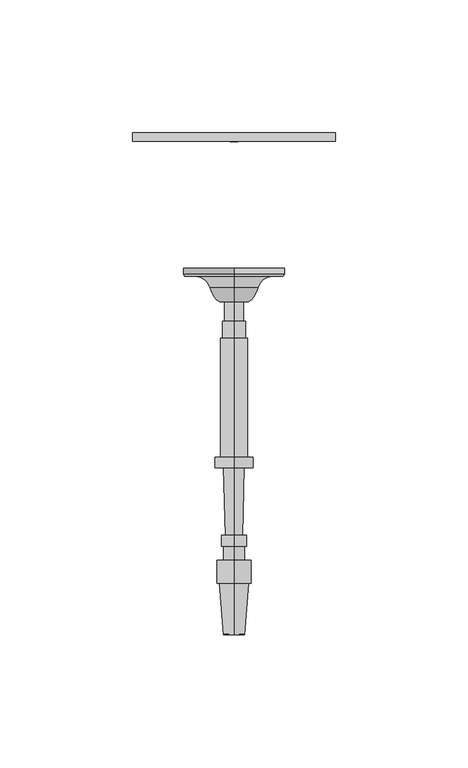
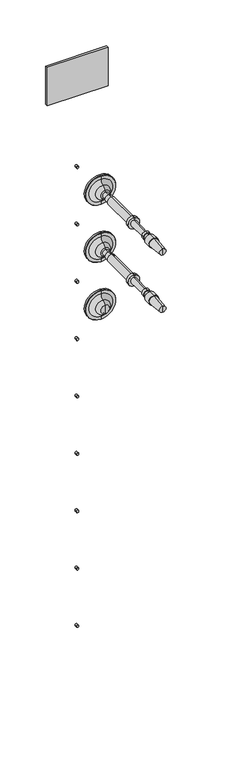
"""IFC4 building model written with IfcOpenShell, lengths in millimetres: railing geometry."""

from ifc_helpers import new_model, si_unit, point, frame, frame_2d, origin, place, context, project, spatial, polyline, circle_curve, ellipse_curve, trimmed, segment, composite_curve, outline, extrude, source, transform, mapped, element, save
from ifc_brep_helpers import plane_surface, cylinder_surface, revolved_surface, advanced_brep


def railing_03ae49d9(model_context):
    return source(origin(), model_context, "Body", "SolidModel", [
        extrude(outline(polyline([(4059.3568095, 20314.624604), (4135.5568095, 20314.624604), (4135.5568095, 20311.449604), (4059.3568095, 20311.449604), (4059.3568095, 20314.624604)])), frame((0.0, 0.0, 33390.9789063), z_axis=(0.0, 0.0, 1.0), x_axis=(1.0, 0.0, 0.0)), (0.0, 0.0, 1.0), 50.8),
        extrude(outline(composite_curve([segment(trimmed(circle_curve(frame_2d((33295.7289062, 4097.4568095)), 1.5379197), [point((33295.7289062, 4098.9947293))], [point((33295.7289062, 4095.9188898))], False, "CARTESIAN"), True, "CONTINUOUS"), segment(trimmed(circle_curve(frame_2d((33295.7289062, 4097.4568095)), 1.5379197), [point((33295.7289062, 4095.9188898))], [point((33295.7289062, 4098.9947293))], False, "CARTESIAN"), True, "CONTINUOUS")], self_intersect=False)), frame((0.0, 20311.449604, 0.0), z_axis=(0.0, 1.0, 0.0), x_axis=(0.0, 0.0, 1.0)), (0.0, 0.0, 1.0), 3.175),
        extrude(outline(composite_curve([segment(trimmed(circle_curve(frame_2d((33219.5289063, 4097.4568095)), 1.5379197), [point((33219.5289063, 4098.9947293))], [point((33219.5289063, 4095.9188898))], False, "CARTESIAN"), True, "CONTINUOUS"), segment(trimmed(circle_curve(frame_2d((33219.5289063, 4097.4568095)), 1.5379197), [point((33219.5289063, 4095.9188898))], [point((33219.5289063, 4098.9947293))], False, "CARTESIAN"), True, "CONTINUOUS")], self_intersect=False)), frame((0.0, 20311.449604, 0.0), z_axis=(0.0, 1.0, 0.0), x_axis=(0.0, 0.0, 1.0)), (0.0, 0.0, 1.0), 3.175),
        extrude(outline(composite_curve([segment(trimmed(circle_curve(frame_2d((33143.3289062, 4097.4568095)), 1.5379197), [point((33143.3289062, 4098.9947293))], [point((33143.3289062, 4095.9188898))], False, "CARTESIAN"), True, "CONTINUOUS"), segment(trimmed(circle_curve(frame_2d((33143.3289062, 4097.4568095)), 1.5379197), [point((33143.3289062, 4095.9188898))], [point((33143.3289062, 4098.9947293))], False, "CARTESIAN"), True, "CONTINUOUS")], self_intersect=False)), frame((0.0, 20311.449604, 0.0), z_axis=(0.0, 1.0, 0.0), x_axis=(0.0, 0.0, 1.0)), (0.0, 0.0, 1.0), 3.175),
        extrude(outline(composite_curve([segment(trimmed(circle_curve(frame_2d((33067.1289062, 4097.4568095)), 1.5379197), [point((33067.1289062, 4098.9947293))], [point((33067.1289062, 4095.9188898))], False, "CARTESIAN"), True, "CONTINUOUS"), segment(trimmed(circle_curve(frame_2d((33067.1289062, 4097.4568095)), 1.5379197), [point((33067.1289062, 4095.9188898))], [point((33067.1289062, 4098.9947293))], False, "CARTESIAN"), True, "CONTINUOUS")], self_intersect=False)), frame((0.0, 20311.449604, 0.0), z_axis=(0.0, 1.0, 0.0), x_axis=(0.0, 0.0, 1.0)), (0.0, 0.0, 1.0), 3.175),
        extrude(outline(composite_curve([segment(trimmed(circle_curve(frame_2d((32990.9289062, 4097.4568095)), 1.5379197), [point((32990.9289062, 4098.9947293))], [point((32990.9289062, 4095.9188898))], False, "CARTESIAN"), True, "CONTINUOUS"), segment(trimmed(circle_curve(frame_2d((32990.9289062, 4097.4568095)), 1.5379197), [point((32990.9289062, 4095.9188898))], [point((32990.9289062, 4098.9947293))], False, "CARTESIAN"), True, "CONTINUOUS")], self_intersect=False)), frame((0.0, 20311.449604, 0.0), z_axis=(0.0, 1.0, 0.0), x_axis=(0.0, 0.0, 1.0)), (0.0, 0.0, 1.0), 3.175),
        extrude(outline(composite_curve([segment(trimmed(circle_curve(frame_2d((32914.7289062, 4097.4568095)), 1.5379197), [point((32914.7289062, 4098.9947293))], [point((32914.7289062, 4095.9188898))], False, "CARTESIAN"), True, "CONTINUOUS"), segment(trimmed(circle_curve(frame_2d((32914.7289062, 4097.4568095)), 1.5379197), [point((32914.7289062, 4095.9188898))], [point((32914.7289062, 4098.9947293))], False, "CARTESIAN"), True, "CONTINUOUS")], self_intersect=False)), frame((0.0, 20311.449604, 0.0), z_axis=(0.0, 1.0, 0.0), x_axis=(0.0, 0.0, 1.0)), (0.0, 0.0, 1.0), 3.175),
        extrude(outline(composite_curve([segment(trimmed(circle_curve(frame_2d((32838.5289063, 4097.4568095)), 1.5379197), [point((32838.5289063, 4098.9947293))], [point((32838.5289063, 4095.9188898))], False, "CARTESIAN"), True, "CONTINUOUS"), segment(trimmed(circle_curve(frame_2d((32838.5289063, 4097.4568095)), 1.5379197), [point((32838.5289063, 4095.9188898))], [point((32838.5289063, 4098.9947293))], False, "CARTESIAN"), True, "CONTINUOUS")], self_intersect=False)), frame((0.0, 20311.449604, 0.0), z_axis=(0.0, 1.0, 0.0), x_axis=(0.0, 0.0, 1.0)), (0.0, 0.0, 1.0), 3.175),
        extrude(outline(composite_curve([segment(trimmed(circle_curve(frame_2d((32762.3289062, 4097.4568095)), 1.5379197), [point((32762.3289062, 4098.9947293))], [point((32762.3289062, 4095.9188898))], False, "CARTESIAN"), True, "CONTINUOUS"), segment(trimmed(circle_curve(frame_2d((32762.3289062, 4097.4568095)), 1.5379197), [point((32762.3289062, 4095.9188898))], [point((32762.3289062, 4098.9947293))], False, "CARTESIAN"), True, "CONTINUOUS")], self_intersect=False)), frame((0.0, 20311.449604, 0.0), z_axis=(0.0, 1.0, 0.0), x_axis=(0.0, 0.0, 1.0)), (0.0, 0.0, 1.0), 3.175),
        extrude(outline(composite_curve([segment(trimmed(circle_curve(frame_2d((32686.1289062, 4097.4568095)), 1.5379197), [point((32686.1289062, 4098.9947293))], [point((32686.1289062, 4095.9188898))], False, "CARTESIAN"), True, "CONTINUOUS"), segment(trimmed(circle_curve(frame_2d((32686.1289062, 4097.4568095)), 1.5379197), [point((32686.1289062, 4095.9188898))], [point((32686.1289062, 4098.9947293))], False, "CARTESIAN"), True, "CONTINUOUS")], self_intersect=False)), frame((0.0, 20311.449604, 0.0), z_axis=(0.0, 1.0, 0.0), x_axis=(0.0, 0.0, 1.0)), (0.0, 0.0, 1.0), 3.175),
        advanced_brep(
        [(4097.4568095, 20263.8073048, 33296.0001631), (4097.4568095, 20263.8073048, 33276.9501631), (4097.4568095, 20263.8073048, 33315.0501631), (4097.4568095, 20251.1146682, 33290.4769785), (4097.4568095, 20251.1146682, 33296.0001631), (4097.4568095, 20251.1146682, 33301.5233478), (4097.4568095, 20256.3907646, 33286.8720381), (4097.4568095, 20256.3907646, 33305.1282881), (4097.4568095, 20260.7563896, 33281.2458254), (4097.4568095, 20260.7563896, 33310.7545009), (4097.4568095, 20260.7563896, 33277.3762941), (4097.4568095, 20260.7563896, 33314.6240321), (4097.4568095, 20261.4260548, 33276.9501631), (4097.4568095, 20261.4260548, 33315.0501631)],
        [
            (0, 1),
            (1, 2, circle_curve(frame((4097.4568095, 20263.8073048, 33296.0001631), z_axis=(0.0, 1.0, 0.0), x_axis=(0.0, 0.0, 1.0)), 19.05)),
            (2, 0),
            (2, 1, circle_curve(frame((4097.4568095, 20263.8073048, 33296.0001631), z_axis=(0.0, 1.0, 0.0), x_axis=(0.0, 0.0, 1.0)), 19.05)),
            (3, 4),
            (4, 5),
            (5, 3, circle_curve(frame((4097.4568095, 20251.1146682, 33296.0001631), z_axis=(0.0, -1.0, 0.0), x_axis=(0.0, 0.0, 1.0)), 5.5231846)),
            (3, 5, circle_curve(frame((4097.4568095, 20251.1146682, 33296.0001631), z_axis=(0.0, -1.0, 0.0), x_axis=(0.0, 0.0, 1.0)), 5.5231846)),
            (6, 3, circle_curve(frame((4097.4568095, 20258.7151733, 33295.9374304), z_axis=(-1.0, 0.0, 0.0), x_axis=(0.0, -1.0, 0.0)), 9.3586438)),
            (5, 7, circle_curve(frame((4097.4568095, 20258.7151733, 33296.0628958), z_axis=(-1.0, 0.0, 0.0), x_axis=(0.0, -1.0, 0.0)), 9.3586438)),
            (7, 6, circle_curve(frame((4097.4568095, 20256.3907646, 33296.0001631), z_axis=(0.0, -1.0, 0.0), x_axis=(0.0, 0.0, 1.0)), 9.128125)),
            (6, 7, circle_curve(frame((4097.4568095, 20256.3907646, 33296.0001631), z_axis=(0.0, -1.0, 0.0), x_axis=(0.0, 0.0, 1.0)), 9.128125)),
            (8, 6, circle_curve(frame((4097.4568095, 20254.9481776, 33281.2458254), z_axis=(1.0, 0.0, 0.0), x_axis=(0.0, -1.0, 0.0)), 5.8082121)),
            (7, 9, circle_curve(frame((4097.4568095, 20254.9481776, 33310.7545009), z_axis=(1.0, 0.0, 0.0), x_axis=(0.0, -1.0, 0.0)), 5.8082121)),
            (9, 8, circle_curve(frame((4097.4568095, 20260.7563896, 33296.0001631), z_axis=(0.0, -1.0, 0.0), x_axis=(0.0, 0.0, 1.0)), 14.7543378)),
            (8, 9, circle_curve(frame((4097.4568095, 20260.7563896, 33296.0001631), z_axis=(0.0, -1.0, 0.0), x_axis=(0.0, 0.0, 1.0)), 14.7543378)),
            (10, 8),
            (9, 11),
            (11, 10, circle_curve(frame((4097.4568095, 20260.7563896, 33296.0001631), z_axis=(0.0, -1.0, 0.0), x_axis=(0.0, 0.0, 1.0)), 18.623869)),
            (10, 11, circle_curve(frame((4097.4568095, 20260.7563896, 33296.0001631), z_axis=(0.0, -1.0, 0.0), x_axis=(0.0, 0.0, 1.0)), 18.623869)),
            (12, 10),
            (11, 13),
            (13, 12, circle_curve(frame((4097.4568095, 20261.4260548, 33296.0001631), z_axis=(0.0, -1.0, 0.0), x_axis=(0.0, 0.0, 1.0)), 19.05)),
            (12, 13, circle_curve(frame((4097.4568095, 20261.4260548, 33296.0001631), z_axis=(0.0, -1.0, 0.0), x_axis=(0.0, 0.0, 1.0)), 19.05)),
            (1, 12),
            (13, 2),
        ],
        [
            plane_surface(frame((4097.4568095, 20263.8073048, 33296.0001631), z_axis=(0.0, 1.0, 0.0), x_axis=(0.0, 0.0, 1.0))),
            plane_surface(frame((4097.4568095, 20251.1146682, 33296.0001631), z_axis=(0.0, -1.0, 0.0), x_axis=(0.0, 0.0, 1.0))),
            revolved_surface(trimmed(ellipse_curve(frame((4097.4568095, 20258.7151733, 33296.0628958), z_axis=(-1.0, 0.0, 0.0), x_axis=(0.0, -1.0, 0.0)), 9.3586438, 9.3586438), [point((4097.4568095, 20251.1146682, 33301.5233478))], [point((4097.4568095, 20256.3907646, 33305.1282881))], True, "CARTESIAN"), (4097.4568095, 20263.8073048, 33296.0001631), (0.0, 1.0, 0.0)),
            revolved_surface(trimmed(ellipse_curve(frame((4097.4568095, 20254.9481776, 33310.7545009), z_axis=(1.0, 0.0, 0.0), x_axis=(0.0, -1.0, 0.0)), 5.8082121, 5.8082121), [point((4097.4568095, 20256.3907646, 33305.1282881))], [point((4097.4568095, 20260.7563896, 33310.7545009))], True, "CARTESIAN"), (4097.4568095, 20263.8073048, 33296.0001631), (0.0, 1.0, 0.0)),
            plane_surface(frame((4097.4568095, 20260.7563896, 33296.0001631), z_axis=(0.0, -1.0, 0.0), x_axis=(0.0, 0.0, 1.0))),
            revolved_surface(polyline([(4097.4568095, 20260.7563896, 33314.6240321), (4097.4568095, 20261.4260548, 33315.0501631)]), (4097.4568095, 20263.8073048, 33296.0001631), (0.0, 1.0, 0.0)),
            cylinder_surface(frame((4097.4568095, 20263.8073048, 33296.0001631), z_axis=(0.0, 1.0, 0.0), x_axis=(0.0, 0.0, 1.0)), 19.05),
        ],
        [
            (0, [[1, 2, 3]]),
            (0, [[-3, 4, -1]]),
            (1, [[5, 6, 7]]),
            (1, [[-6, -5, 8]]),
            (2, [[9, -7, 10, 11]]),
            (2, [[-10, -8, -9, 12]]),
            (3, [[13, -11, 14, 15]]),
            (3, [[-14, -12, -13, 16]]),
            (4, [[17, -15, 18, 19]]),
            (4, [[-18, -16, -17, 20]]),
            (5, [[21, -19, 22, 23]]),
            (5, [[-22, -20, -21, 24]]),
            (6, [[25, -23, 26, -2]]),
            (6, [[-26, -24, -25, -4]]),
        ],
    ),
        advanced_brep(
        [(4097.4568095, 20251.1146682, 33292.4282881), (4097.4568095, 20251.1146682, 33299.5720381), (4097.4568095, 20251.1146682, 33296.0001631), (4097.4568095, 20126.170779, 33296.0001631), (4097.4568095, 20125.8751146, 33300.0246235), (4097.4568095, 20125.8751146, 33291.9757028), (4097.4568095, 20145.2184786, 33301.445719), (4097.4568095, 20145.2184786, 33290.5546072), (4097.4568095, 20145.2184786, 33302.3386877), (4097.4568095, 20145.2184786, 33289.6616385), (4097.4568095, 20153.8505098, 33302.3386877), (4097.4568095, 20153.8505098, 33289.6616385), (4097.4568095, 20153.8505098, 33299.9574377), (4097.4568095, 20153.8505098, 33292.0428885), (4097.4568095, 20159.2083223, 33299.9574377), (4097.4568095, 20159.2083223, 33292.0428885), (4097.4568095, 20159.2083223, 33300.7511877), (4097.4568095, 20159.2083223, 33291.2491385), (4097.4568095, 20163.2762911, 33300.7511877), (4097.4568095, 20163.2762911, 33291.2491385), (4097.4568095, 20163.3203782, 33299.1643), (4097.4568095, 20163.3203782, 33292.8360262), (4097.4568095, 20188.7105814, 33299.8696944), (4097.4568095, 20188.7105814, 33292.1306319), (4097.4568095, 20188.7105814, 33303.1439131), (4097.4568095, 20188.7105814, 33288.8564131), (4097.4568095, 20192.6793314, 33303.1439131), (4097.4568095, 20192.6793314, 33288.8564131), (4097.4568095, 20192.6793314, 33301.1595381), (4097.4568095, 20192.6793314, 33290.8407881), (4097.4568095, 20237.4269877, 33301.1595381), (4097.4568095, 20237.4269877, 33290.8407881), (4097.4568095, 20237.4269877, 33300.3657881), (4097.4568095, 20237.4269877, 33291.6345381), (4097.4568095, 20243.7769877, 33300.3657881), (4097.4568095, 20243.7769877, 33291.6345381), (4097.4568095, 20243.7769877, 33299.5720381), (4097.4568095, 20243.7769877, 33292.4282881)],
        [
            (0, 1, circle_curve(frame((4097.4568095, 20251.1146682, 33296.0001631), z_axis=(0.0, 1.0, 0.0), x_axis=(0.0, 0.0, 1.0000000000000002)), 3.571875)),
            (1, 2),
            (2, 0),
            (1, 0, circle_curve(frame((4097.4568095, 20251.1146682, 33296.0001631), z_axis=(0.0, 1.0, 0.0), x_axis=(0.0, 0.0, 1.0000000000000002)), 3.571875)),
            (3, 4),
            (4, 5, circle_curve(frame((4097.4568095, 20125.8751146, 33296.0001631), z_axis=(0.0, -1.0, 0.0), x_axis=(0.0, 0.0, 1.0000000000000002)), 4.0244604)),
            (5, 3),
            (5, 4, circle_curve(frame((4097.4568095, 20125.8751146, 33296.0001631), z_axis=(0.0, -1.0, 0.0), x_axis=(0.0, 0.0, 1.0000000000000002)), 4.0244604)),
            (4, 6),
            (6, 7, circle_curve(frame((4097.4568095, 20145.2184786, 33296.0001631), z_axis=(0.0, -1.0, 0.0), x_axis=(0.0, 0.0, 1.0000000000000002)), 5.4455559)),
            (7, 5),
            (7, 6, circle_curve(frame((4097.4568095, 20145.2184786, 33296.0001631), z_axis=(0.0, -1.0, 0.0), x_axis=(0.0, 0.0, 1.0000000000000002)), 5.4455559)),
            (6, 8),
            (8, 9, circle_curve(frame((4097.4568095, 20145.2184786, 33296.0001631), z_axis=(0.0, -1.0, 0.0), x_axis=(0.0, 0.0, 1.0000000000000002)), 6.3385246)),
            (9, 7),
            (9, 8, circle_curve(frame((4097.4568095, 20145.2184786, 33296.0001631), z_axis=(0.0, -1.0, 0.0), x_axis=(0.0, 0.0, 1.0000000000000002)), 6.3385246)),
            (8, 10),
            (10, 11, circle_curve(frame((4097.4568095, 20153.8505098, 33296.0001631), z_axis=(0.0, -1.0, 0.0), x_axis=(0.0, 0.0, 1.0000000000000002)), 6.3385246)),
            (11, 9),
            (11, 10, circle_curve(frame((4097.4568095, 20153.8505098, 33296.0001631), z_axis=(0.0, -1.0, 0.0), x_axis=(0.0, 0.0, 1.0000000000000002)), 6.3385246)),
            (10, 12),
            (12, 13, circle_curve(frame((4097.4568095, 20153.8505098, 33296.0001631), z_axis=(0.0, -1.0, 0.0), x_axis=(0.0, 0.0, 1.0000000000000002)), 3.9572746)),
            (13, 11),
            (13, 12, circle_curve(frame((4097.4568095, 20153.8505098, 33296.0001631), z_axis=(0.0, -1.0, 0.0), x_axis=(0.0, 0.0, 1.0000000000000002)), 3.9572746)),
            (12, 14),
            (14, 15, circle_curve(frame((4097.4568095, 20159.2083223, 33296.0001631), z_axis=(0.0, -1.0, 0.0), x_axis=(0.0, 0.0, 1.0000000000000002)), 3.9572746)),
            (15, 13),
            (15, 14, circle_curve(frame((4097.4568095, 20159.2083223, 33296.0001631), z_axis=(0.0, -1.0, 0.0), x_axis=(0.0, 0.0, 1.0000000000000002)), 3.9572746)),
            (14, 16),
            (16, 17, circle_curve(frame((4097.4568095, 20159.2083223, 33296.0001631), z_axis=(0.0, -1.0, 0.0), x_axis=(0.0, 0.0, 1.0000000000000002)), 4.7510246)),
            (17, 15),
            (17, 16, circle_curve(frame((4097.4568095, 20159.2083223, 33296.0001631), z_axis=(0.0, -1.0, 0.0), x_axis=(0.0, 0.0, 1.0000000000000002)), 4.7510246)),
            (16, 18),
            (18, 19, circle_curve(frame((4097.4568095, 20163.2762911, 33296.0001631), z_axis=(0.0, -1.0, 0.0), x_axis=(0.0, 0.0, 1.0000000000000002)), 4.7510246)),
            (19, 17),
            (19, 18, circle_curve(frame((4097.4568095, 20163.2762911, 33296.0001631), z_axis=(0.0, -1.0, 0.0), x_axis=(0.0, 0.0, 1.0000000000000002)), 4.7510246)),
            (18, 20),
            (20, 21, circle_curve(frame((4097.4568095, 20163.3203782, 33296.0001631), z_axis=(0.0, -1.0, 0.0), x_axis=(0.0, 0.0, 1.0000000000000002)), 3.1641369)),
            (21, 19),
            (21, 20, circle_curve(frame((4097.4568095, 20163.3203782, 33296.0001631), z_axis=(0.0, -1.0, 0.0), x_axis=(0.0, 0.0, 1.0000000000000002)), 3.1641369)),
            (20, 22),
            (22, 23, circle_curve(frame((4097.4568095, 20188.7105814, 33296.0001631), z_axis=(0.0, -1.0, 0.0), x_axis=(0.0, 0.0, 1.0000000000000002)), 3.8695313)),
            (23, 21),
            (23, 22, circle_curve(frame((4097.4568095, 20188.7105814, 33296.0001631), z_axis=(0.0, -1.0, 0.0), x_axis=(0.0, 0.0, 1.0000000000000002)), 3.8695313)),
            (22, 24),
            (24, 25, circle_curve(frame((4097.4568095, 20188.7105814, 33296.0001631), z_axis=(0.0, -1.0, 0.0), x_axis=(0.0, 0.0, 1.0000000000000002)), 7.14375)),
            (25, 23),
            (25, 24, circle_curve(frame((4097.4568095, 20188.7105814, 33296.0001631), z_axis=(0.0, -1.0, 0.0), x_axis=(0.0, 0.0, 1.0000000000000002)), 7.14375)),
            (24, 26),
            (26, 27, circle_curve(frame((4097.4568095, 20192.6793314, 33296.0001631), z_axis=(0.0, -1.0, 0.0), x_axis=(0.0, 0.0, 1.0000000000000002)), 7.14375)),
            (27, 25),
            (27, 26, circle_curve(frame((4097.4568095, 20192.6793314, 33296.0001631), z_axis=(0.0, -1.0, 0.0), x_axis=(0.0, 0.0, 1.0000000000000002)), 7.14375)),
            (26, 28),
            (28, 29, circle_curve(frame((4097.4568095, 20192.6793314, 33296.0001631), z_axis=(0.0, -1.0, 0.0), x_axis=(0.0, 0.0, 1.0000000000000002)), 5.159375)),
            (29, 27),
            (29, 28, circle_curve(frame((4097.4568095, 20192.6793314, 33296.0001631), z_axis=(0.0, -1.0, 0.0), x_axis=(0.0, 0.0, 1.0000000000000002)), 5.159375)),
            (28, 30),
            (30, 31, circle_curve(frame((4097.4568095, 20237.4269877, 33296.0001631), z_axis=(0.0, -1.0, 0.0), x_axis=(0.0, 0.0, 1.0000000000000002)), 5.159375)),
            (31, 29),
            (31, 30, circle_curve(frame((4097.4568095, 20237.4269877, 33296.0001631), z_axis=(0.0, -1.0, 0.0), x_axis=(0.0, 0.0, 1.0000000000000002)), 5.159375)),
            (30, 32),
            (32, 33, circle_curve(frame((4097.4568095, 20237.4269877, 33296.0001631), z_axis=(0.0, -1.0, 0.0), x_axis=(0.0, 0.0, 1.0000000000000002)), 4.365625)),
            (33, 31),
            (33, 32, circle_curve(frame((4097.4568095, 20237.4269877, 33296.0001631), z_axis=(0.0, -1.0, 0.0), x_axis=(0.0, 0.0, 1.0000000000000002)), 4.365625)),
            (32, 34),
            (34, 35, circle_curve(frame((4097.4568095, 20243.7769877, 33296.0001631), z_axis=(0.0, -1.0, 0.0), x_axis=(0.0, 0.0, 1.0000000000000002)), 4.365625)),
            (35, 33),
            (35, 34, circle_curve(frame((4097.4568095, 20243.7769877, 33296.0001631), z_axis=(0.0, -1.0, 0.0), x_axis=(0.0, 0.0, 1.0000000000000002)), 4.365625)),
            (34, 36),
            (36, 37, circle_curve(frame((4097.4568095, 20243.7769877, 33296.0001631), z_axis=(0.0, -1.0, 0.0), x_axis=(0.0, 0.0, 1.0000000000000002)), 3.571875)),
            (37, 35),
            (37, 36, circle_curve(frame((4097.4568095, 20243.7769877, 33296.0001631), z_axis=(0.0, -1.0, 0.0), x_axis=(0.0, 0.0, 1.0000000000000002)), 3.571875)),
            (36, 1),
            (0, 37),
        ],
        [
            plane_surface(frame((4097.4568095, 20251.1146682, 33296.0001631), z_axis=(0.0, 1.0, 0.0), x_axis=(0.0, 0.0, 1.0))),
            revolved_surface(polyline([(4097.4568095, 20125.8751146, 33300.0246235), (4097.4568095, 20126.170779, 33296.0001631)]), (4097.4568095, 20126.170779, 33296.0001631), (0.0, -1.0, 0.0)),
            revolved_surface(polyline([(4097.4568095, 20145.2184786, 33301.445719), (4097.4568095, 20125.8751146, 33300.0246235)]), (4097.4568095, 20126.170779, 33296.0001631), (0.0, -1.0, 0.0)),
            plane_surface(frame((4097.4568095, 20145.2184786, 33296.0001631), z_axis=(0.0, -1.0, 0.0), x_axis=(0.0, 0.0, 1.0))),
            cylinder_surface(frame((4097.4568095, 20126.170779, 33296.0001631), z_axis=(0.0, -1.0, 0.0), x_axis=(0.0, 0.0, 1.0000000000000002)), 6.3385246),
            plane_surface(frame((4097.4568095, 20153.8505098, 33296.0001631), z_axis=(0.0, 1.0, 0.0), x_axis=(0.0, 0.0, 1.0))),
            cylinder_surface(frame((4097.4568095, 20126.170779, 33296.0001631), z_axis=(0.0, -1.0, 0.0), x_axis=(0.0, 0.0, 1.0000000000000002)), 3.9572746),
            plane_surface(frame((4097.4568095, 20159.2083223, 33296.0001631), z_axis=(0.0, -1.0, 0.0), x_axis=(0.0, 0.0, 1.0))),
            cylinder_surface(frame((4097.4568095, 20126.170779, 33296.0001631), z_axis=(0.0, -1.0, 0.0), x_axis=(0.0, 0.0, 1.0000000000000002)), 4.7510246),
            plane_surface(frame((4097.4568095, 20163.3203782, 33296.0001631), z_axis=(0.0, 1.0, 0.0), x_axis=(0.0, 0.0, 1.0))),
            revolved_surface(polyline([(4097.4568095, 20188.7105814, 33299.8696944), (4097.4568095, 20163.3203782, 33299.1643)]), (4097.4568095, 20126.170779, 33296.0001631), (0.0, -1.0, 0.0)),
            plane_surface(frame((4097.4568095, 20188.7105814, 33296.0001631), z_axis=(0.0, -1.0, 0.0), x_axis=(0.0, 0.0, 1.0))),
            cylinder_surface(frame((4097.4568095, 20126.170779, 33296.0001631), z_axis=(0.0, -1.0, 0.0), x_axis=(0.0, 0.0, 1.0000000000000002)), 7.14375),
            plane_surface(frame((4097.4568095, 20192.6793314, 33296.0001631), z_axis=(0.0, 1.0, 0.0), x_axis=(0.0, 0.0, 1.0))),
            cylinder_surface(frame((4097.4568095, 20126.170779, 33296.0001631), z_axis=(0.0, -1.0, 0.0), x_axis=(0.0, 0.0, 1.0000000000000002)), 5.159375),
            plane_surface(frame((4097.4568095, 20237.4269877, 33296.0001631), z_axis=(0.0, 1.0, 0.0), x_axis=(0.0, 0.0, 1.0))),
            cylinder_surface(frame((4097.4568095, 20126.170779, 33296.0001631), z_axis=(0.0, -1.0, 0.0), x_axis=(0.0, 0.0, 1.0000000000000002)), 4.365625),
            plane_surface(frame((4097.4568095, 20243.7769877, 33296.0001631), z_axis=(0.0, 1.0, 0.0), x_axis=(0.0, 0.0, 1.0))),
            cylinder_surface(frame((4097.4568095, 20126.170779, 33296.0001631), z_axis=(0.0, -1.0, 0.0), x_axis=(0.0, 0.0, 1.0000000000000002)), 3.571875),
        ],
        [
            (0, [[1, 2, 3]]),
            (0, [[4, -3, -2]]),
            (1, [[5, 6, 7]]),
            (1, [[-7, 8, -5]]),
            (2, [[-6, 9, 10, 11]]),
            (2, [[-8, -11, 12, -9]]),
            (3, [[-10, 13, 14, 15]]),
            (3, [[-12, -15, 16, -13]]),
            (4, [[-14, 17, 18, 19]]),
            (4, [[-16, -19, 20, -17]]),
            (5, [[-18, 21, 22, 23]]),
            (5, [[-20, -23, 24, -21]]),
            (6, [[-22, 25, 26, 27]]),
            (6, [[-24, -27, 28, -25]]),
            (7, [[-26, 29, 30, 31]]),
            (7, [[-28, -31, 32, -29]]),
            (8, [[-30, 33, 34, 35]]),
            (8, [[-32, -35, 36, -33]]),
            (9, [[-34, 37, 38, 39]]),
            (9, [[-36, -39, 40, -37]]),
            (10, [[-38, 41, 42, 43]]),
            (10, [[-40, -43, 44, -41]]),
            (11, [[-42, 45, 46, 47]]),
            (11, [[-44, -47, 48, -45]]),
            (12, [[-46, 49, 50, 51]]),
            (12, [[-48, -51, 52, -49]]),
            (13, [[-50, 53, 54, 55]]),
            (13, [[-52, -55, 56, -53]]),
            (14, [[-54, 57, 58, 59]]),
            (14, [[-56, -59, 60, -57]]),
            (15, [[-58, 61, 62, 63]]),
            (15, [[-60, -63, 64, -61]]),
            (16, [[-62, 65, 66, 67]]),
            (16, [[-64, -67, 68, -65]]),
            (17, [[-66, 69, 70, 71]]),
            (17, [[-68, -71, 72, -69]]),
            (18, [[-70, 73, -1, 74]]),
            (18, [[-72, -74, -4, -73]]),
        ],
    ),
        advanced_brep(
        [(4097.4568095, 20263.8073048, 33219.8001631), (4097.4568095, 20263.8073048, 33200.7501631), (4097.4568095, 20263.8073048, 33238.8501631), (4097.4568095, 20251.1146682, 33214.2769785), (4097.4568095, 20251.1146682, 33219.8001631), (4097.4568095, 20251.1146682, 33225.3233478), (4097.4568095, 20256.3907646, 33210.6720381), (4097.4568095, 20256.3907646, 33228.9282881), (4097.4568095, 20260.7563896, 33205.0458254), (4097.4568095, 20260.7563896, 33234.5545009), (4097.4568095, 20260.7563896, 33201.1762941), (4097.4568095, 20260.7563896, 33238.4240321), (4097.4568095, 20261.4260548, 33200.7501631), (4097.4568095, 20261.4260548, 33238.8501631)],
        [
            (0, 1),
            (1, 2, circle_curve(frame((4097.4568095, 20263.8073048, 33219.8001631), z_axis=(0.0, 1.0, 0.0), x_axis=(0.0, 0.0, 1.0)), 19.05)),
            (2, 0),
            (2, 1, circle_curve(frame((4097.4568095, 20263.8073048, 33219.8001631), z_axis=(0.0, 1.0, 0.0), x_axis=(0.0, 0.0, 1.0)), 19.05)),
            (3, 4),
            (4, 5),
            (5, 3, circle_curve(frame((4097.4568095, 20251.1146682, 33219.8001631), z_axis=(0.0, -1.0, 0.0), x_axis=(0.0, 0.0, 1.0)), 5.5231846)),
            (3, 5, circle_curve(frame((4097.4568095, 20251.1146682, 33219.8001631), z_axis=(0.0, -1.0, 0.0), x_axis=(0.0, 0.0, 1.0)), 5.5231846)),
            (6, 3, circle_curve(frame((4097.4568095, 20258.7151733, 33219.7374304), z_axis=(-1.0, 0.0, 0.0), x_axis=(0.0, -1.0, 0.0)), 9.3586438)),
            (5, 7, circle_curve(frame((4097.4568095, 20258.7151733, 33219.8628958), z_axis=(-1.0, 0.0, 0.0), x_axis=(0.0, -1.0, 0.0)), 9.3586438)),
            (7, 6, circle_curve(frame((4097.4568095, 20256.3907646, 33219.8001631), z_axis=(0.0, -1.0, 0.0), x_axis=(0.0, 0.0, 1.0)), 9.128125)),
            (6, 7, circle_curve(frame((4097.4568095, 20256.3907646, 33219.8001631), z_axis=(0.0, -1.0, 0.0), x_axis=(0.0, 0.0, 1.0)), 9.128125)),
            (8, 6, circle_curve(frame((4097.4568095, 20254.9481776, 33205.0458254), z_axis=(1.0, 0.0, 0.0), x_axis=(0.0, -1.0, 0.0)), 5.8082121)),
            (7, 9, circle_curve(frame((4097.4568095, 20254.9481776, 33234.5545009), z_axis=(1.0, 0.0, 0.0), x_axis=(0.0, -1.0, 0.0)), 5.8082121)),
            (9, 8, circle_curve(frame((4097.4568095, 20260.7563896, 33219.8001631), z_axis=(0.0, -1.0, 0.0), x_axis=(0.0, 0.0, 1.0)), 14.7543378)),
            (8, 9, circle_curve(frame((4097.4568095, 20260.7563896, 33219.8001631), z_axis=(0.0, -1.0, 0.0), x_axis=(0.0, 0.0, 1.0)), 14.7543378)),
            (10, 8),
            (9, 11),
            (11, 10, circle_curve(frame((4097.4568095, 20260.7563896, 33219.8001631), z_axis=(0.0, -1.0, 0.0), x_axis=(0.0, 0.0, 1.0)), 18.623869)),
            (10, 11, circle_curve(frame((4097.4568095, 20260.7563896, 33219.8001631), z_axis=(0.0, -1.0, 0.0), x_axis=(0.0, 0.0, 1.0)), 18.623869)),
            (12, 10),
            (11, 13),
            (13, 12, circle_curve(frame((4097.4568095, 20261.4260548, 33219.8001631), z_axis=(0.0, -1.0, 0.0), x_axis=(0.0, 0.0, 1.0)), 19.05)),
            (12, 13, circle_curve(frame((4097.4568095, 20261.4260548, 33219.8001631), z_axis=(0.0, -1.0, 0.0), x_axis=(0.0, 0.0, 1.0)), 19.05)),
            (1, 12),
            (13, 2),
        ],
        [
            plane_surface(frame((4097.4568095, 20263.8073048, 33219.8001631), z_axis=(0.0, 1.0, 0.0), x_axis=(0.0, 0.0, 1.0))),
            plane_surface(frame((4097.4568095, 20251.1146682, 33219.8001631), z_axis=(0.0, -1.0, 0.0), x_axis=(0.0, 0.0, 1.0))),
            revolved_surface(trimmed(ellipse_curve(frame((4097.4568095, 20258.7151733, 33219.8628958), z_axis=(-1.0, 0.0, 0.0), x_axis=(0.0, -1.0, 0.0)), 9.3586438, 9.3586438), [point((4097.4568095, 20251.1146682, 33225.3233478))], [point((4097.4568095, 20256.3907646, 33228.9282881))], True, "CARTESIAN"), (4097.4568095, 20263.8073048, 33219.8001631), (0.0, 1.0, 0.0)),
            revolved_surface(trimmed(ellipse_curve(frame((4097.4568095, 20254.9481776, 33234.5545009), z_axis=(1.0, 0.0, 0.0), x_axis=(0.0, -1.0, 0.0)), 5.8082121, 5.8082121), [point((4097.4568095, 20256.3907646, 33228.9282881))], [point((4097.4568095, 20260.7563896, 33234.5545009))], True, "CARTESIAN"), (4097.4568095, 20263.8073048, 33219.8001631), (0.0, 1.0, 0.0)),
            plane_surface(frame((4097.4568095, 20260.7563896, 33219.8001631), z_axis=(0.0, -1.0, 0.0), x_axis=(0.0, 0.0, 1.0))),
            revolved_surface(polyline([(4097.4568095, 20260.7563896, 33238.4240321), (4097.4568095, 20261.4260548, 33238.8501631)]), (4097.4568095, 20263.8073048, 33219.8001631), (0.0, 1.0, 0.0)),
            cylinder_surface(frame((4097.4568095, 20263.8073048, 33219.8001631), z_axis=(0.0, 1.0, 0.0), x_axis=(0.0, 0.0, 1.0)), 19.05),
        ],
        [
            (0, [[1, 2, 3]]),
            (0, [[-3, 4, -1]]),
            (1, [[5, 6, 7]]),
            (1, [[-6, -5, 8]]),
            (2, [[9, -7, 10, 11]]),
            (2, [[-10, -8, -9, 12]]),
            (3, [[13, -11, 14, 15]]),
            (3, [[-14, -12, -13, 16]]),
            (4, [[17, -15, 18, 19]]),
            (4, [[-18, -16, -17, 20]]),
            (5, [[21, -19, 22, 23]]),
            (5, [[-22, -20, -21, 24]]),
            (6, [[25, -23, 26, -2]]),
            (6, [[-26, -24, -25, -4]]),
        ],
    ),
        advanced_brep(
        [(4097.4568095, 20251.1146682, 33216.2282881), (4097.4568095, 20251.1146682, 33223.3720381), (4097.4568095, 20251.1146682, 33219.8001631), (4097.4568095, 20126.170779, 33219.8001631), (4097.4568095, 20125.8751146, 33223.8246235), (4097.4568095, 20125.8751146, 33215.7757028), (4097.4568095, 20145.2184786, 33225.245719), (4097.4568095, 20145.2184786, 33214.3546072), (4097.4568095, 20145.2184786, 33226.1386877), (4097.4568095, 20145.2184786, 33213.4616385), (4097.4568095, 20153.8505098, 33226.1386877), (4097.4568095, 20153.8505098, 33213.4616385), (4097.4568095, 20153.8505098, 33223.7574377), (4097.4568095, 20153.8505098, 33215.8428885), (4097.4568095, 20159.2083223, 33223.7574377), (4097.4568095, 20159.2083223, 33215.8428885), (4097.4568095, 20159.2083223, 33224.5511877), (4097.4568095, 20159.2083223, 33215.0491385), (4097.4568095, 20163.2762911, 33224.5511877), (4097.4568095, 20163.2762911, 33215.0491385), (4097.4568095, 20163.3203782, 33222.9643), (4097.4568095, 20163.3203782, 33216.6360262), (4097.4568095, 20188.7105814, 33223.6696944), (4097.4568095, 20188.7105814, 33215.9306319), (4097.4568095, 20188.7105814, 33226.9439131), (4097.4568095, 20188.7105814, 33212.6564131), (4097.4568095, 20192.6793314, 33226.9439131), (4097.4568095, 20192.6793314, 33212.6564131), (4097.4568095, 20192.6793314, 33224.9595381), (4097.4568095, 20192.6793314, 33214.6407881), (4097.4568095, 20237.4269877, 33224.9595381), (4097.4568095, 20237.4269877, 33214.6407881), (4097.4568095, 20237.4269877, 33224.1657881), (4097.4568095, 20237.4269877, 33215.4345381), (4097.4568095, 20243.7769877, 33224.1657881), (4097.4568095, 20243.7769877, 33215.4345381), (4097.4568095, 20243.7769877, 33223.3720381), (4097.4568095, 20243.7769877, 33216.2282881)],
        [
            (0, 1, circle_curve(frame((4097.4568095, 20251.1146682, 33219.8001631), z_axis=(0.0, 1.0, 0.0), x_axis=(0.0, 0.0, 1.0000000000000002)), 3.571875)),
            (1, 2),
            (2, 0),
            (1, 0, circle_curve(frame((4097.4568095, 20251.1146682, 33219.8001631), z_axis=(0.0, 1.0, 0.0), x_axis=(0.0, 0.0, 1.0000000000000002)), 3.571875)),
            (3, 4),
            (4, 5, circle_curve(frame((4097.4568095, 20125.8751146, 33219.8001631), z_axis=(0.0, -1.0, 0.0), x_axis=(0.0, 0.0, 1.0000000000000002)), 4.0244604)),
            (5, 3),
            (5, 4, circle_curve(frame((4097.4568095, 20125.8751146, 33219.8001631), z_axis=(0.0, -1.0, 0.0), x_axis=(0.0, 0.0, 1.0000000000000002)), 4.0244604)),
            (4, 6),
            (6, 7, circle_curve(frame((4097.4568095, 20145.2184786, 33219.8001631), z_axis=(0.0, -1.0, 0.0), x_axis=(0.0, 0.0, 1.0000000000000002)), 5.4455559)),
            (7, 5),
            (7, 6, circle_curve(frame((4097.4568095, 20145.2184786, 33219.8001631), z_axis=(0.0, -1.0, 0.0), x_axis=(0.0, 0.0, 1.0000000000000002)), 5.4455559)),
            (6, 8),
            (8, 9, circle_curve(frame((4097.4568095, 20145.2184786, 33219.8001631), z_axis=(0.0, -1.0, 0.0), x_axis=(0.0, 0.0, 1.0000000000000002)), 6.3385246)),
            (9, 7),
            (9, 8, circle_curve(frame((4097.4568095, 20145.2184786, 33219.8001631), z_axis=(0.0, -1.0, 0.0), x_axis=(0.0, 0.0, 1.0000000000000002)), 6.3385246)),
            (8, 10),
            (10, 11, circle_curve(frame((4097.4568095, 20153.8505098, 33219.8001631), z_axis=(0.0, -1.0, 0.0), x_axis=(0.0, 0.0, 1.0000000000000002)), 6.3385246)),
            (11, 9),
            (11, 10, circle_curve(frame((4097.4568095, 20153.8505098, 33219.8001631), z_axis=(0.0, -1.0, 0.0), x_axis=(0.0, 0.0, 1.0000000000000002)), 6.3385246)),
            (10, 12),
            (12, 13, circle_curve(frame((4097.4568095, 20153.8505098, 33219.8001631), z_axis=(0.0, -1.0, 0.0), x_axis=(0.0, 0.0, 1.0000000000000002)), 3.9572746)),
            (13, 11),
            (13, 12, circle_curve(frame((4097.4568095, 20153.8505098, 33219.8001631), z_axis=(0.0, -1.0, 0.0), x_axis=(0.0, 0.0, 1.0000000000000002)), 3.9572746)),
            (12, 14),
            (14, 15, circle_curve(frame((4097.4568095, 20159.2083223, 33219.8001631), z_axis=(0.0, -1.0, 0.0), x_axis=(0.0, 0.0, 1.0000000000000002)), 3.9572746)),
            (15, 13),
            (15, 14, circle_curve(frame((4097.4568095, 20159.2083223, 33219.8001631), z_axis=(0.0, -1.0, 0.0), x_axis=(0.0, 0.0, 1.0000000000000002)), 3.9572746)),
            (14, 16),
            (16, 17, circle_curve(frame((4097.4568095, 20159.2083223, 33219.8001631), z_axis=(0.0, -1.0, 0.0), x_axis=(0.0, 0.0, 1.0000000000000002)), 4.7510246)),
            (17, 15),
            (17, 16, circle_curve(frame((4097.4568095, 20159.2083223, 33219.8001631), z_axis=(0.0, -1.0, 0.0), x_axis=(0.0, 0.0, 1.0000000000000002)), 4.7510246)),
            (16, 18),
            (18, 19, circle_curve(frame((4097.4568095, 20163.2762911, 33219.8001631), z_axis=(0.0, -1.0, 0.0), x_axis=(0.0, 0.0, 1.0000000000000002)), 4.7510246)),
            (19, 17),
            (19, 18, circle_curve(frame((4097.4568095, 20163.2762911, 33219.8001631), z_axis=(0.0, -1.0, 0.0), x_axis=(0.0, 0.0, 1.0000000000000002)), 4.7510246)),
            (18, 20),
            (20, 21, circle_curve(frame((4097.4568095, 20163.3203782, 33219.8001631), z_axis=(0.0, -1.0, 0.0), x_axis=(0.0, 0.0, 1.0000000000000002)), 3.1641369)),
            (21, 19),
            (21, 20, circle_curve(frame((4097.4568095, 20163.3203782, 33219.8001631), z_axis=(0.0, -1.0, 0.0), x_axis=(0.0, 0.0, 1.0000000000000002)), 3.1641369)),
            (20, 22),
            (22, 23, circle_curve(frame((4097.4568095, 20188.7105814, 33219.8001631), z_axis=(0.0, -1.0, 0.0), x_axis=(0.0, 0.0, 1.0000000000000002)), 3.8695313)),
            (23, 21),
            (23, 22, circle_curve(frame((4097.4568095, 20188.7105814, 33219.8001631), z_axis=(0.0, -1.0, 0.0), x_axis=(0.0, 0.0, 1.0000000000000002)), 3.8695313)),
            (22, 24),
            (24, 25, circle_curve(frame((4097.4568095, 20188.7105814, 33219.8001631), z_axis=(0.0, -1.0, 0.0), x_axis=(0.0, 0.0, 1.0000000000000002)), 7.14375)),
            (25, 23),
            (25, 24, circle_curve(frame((4097.4568095, 20188.7105814, 33219.8001631), z_axis=(0.0, -1.0, 0.0), x_axis=(0.0, 0.0, 1.0000000000000002)), 7.14375)),
            (24, 26),
            (26, 27, circle_curve(frame((4097.4568095, 20192.6793314, 33219.8001631), z_axis=(0.0, -1.0, 0.0), x_axis=(0.0, 0.0, 1.0000000000000002)), 7.14375)),
            (27, 25),
            (27, 26, circle_curve(frame((4097.4568095, 20192.6793314, 33219.8001631), z_axis=(0.0, -1.0, 0.0), x_axis=(0.0, 0.0, 1.0000000000000002)), 7.14375)),
            (26, 28),
            (28, 29, circle_curve(frame((4097.4568095, 20192.6793314, 33219.8001631), z_axis=(0.0, -1.0, 0.0), x_axis=(0.0, 0.0, 1.0000000000000002)), 5.159375)),
            (29, 27),
            (29, 28, circle_curve(frame((4097.4568095, 20192.6793314, 33219.8001631), z_axis=(0.0, -1.0, 0.0), x_axis=(0.0, 0.0, 1.0000000000000002)), 5.159375)),
            (28, 30),
            (30, 31, circle_curve(frame((4097.4568095, 20237.4269877, 33219.8001631), z_axis=(0.0, -1.0, 0.0), x_axis=(0.0, 0.0, 1.0000000000000002)), 5.159375)),
            (31, 29),
            (31, 30, circle_curve(frame((4097.4568095, 20237.4269877, 33219.8001631), z_axis=(0.0, -1.0, 0.0), x_axis=(0.0, 0.0, 1.0000000000000002)), 5.159375)),
            (30, 32),
            (32, 33, circle_curve(frame((4097.4568095, 20237.4269877, 33219.8001631), z_axis=(0.0, -1.0, 0.0), x_axis=(0.0, 0.0, 1.0000000000000002)), 4.365625)),
            (33, 31),
            (33, 32, circle_curve(frame((4097.4568095, 20237.4269877, 33219.8001631), z_axis=(0.0, -1.0, 0.0), x_axis=(0.0, 0.0, 1.0000000000000002)), 4.365625)),
            (32, 34),
            (34, 35, circle_curve(frame((4097.4568095, 20243.7769877, 33219.8001631), z_axis=(0.0, -1.0, 0.0), x_axis=(0.0, 0.0, 1.0000000000000002)), 4.365625)),
            (35, 33),
            (35, 34, circle_curve(frame((4097.4568095, 20243.7769877, 33219.8001631), z_axis=(0.0, -1.0, 0.0), x_axis=(0.0, 0.0, 1.0000000000000002)), 4.365625)),
            (34, 36),
            (36, 37, circle_curve(frame((4097.4568095, 20243.7769877, 33219.8001631), z_axis=(0.0, -1.0, 0.0), x_axis=(0.0, 0.0, 1.0000000000000002)), 3.571875)),
            (37, 35),
            (37, 36, circle_curve(frame((4097.4568095, 20243.7769877, 33219.8001631), z_axis=(0.0, -1.0, 0.0), x_axis=(0.0, 0.0, 1.0000000000000002)), 3.571875)),
            (36, 1),
            (0, 37),
        ],
        [
            plane_surface(frame((4097.4568095, 20251.1146682, 33219.8001631), z_axis=(0.0, 1.0, 0.0), x_axis=(0.0, 0.0, 1.0))),
            revolved_surface(polyline([(4097.4568095, 20125.8751146, 33223.8246235), (4097.4568095, 20126.170779, 33219.8001631)]), (4097.4568095, 20126.170779, 33219.8001631), (0.0, -1.0, 0.0)),
            revolved_surface(polyline([(4097.4568095, 20145.2184786, 33225.245719), (4097.4568095, 20125.8751146, 33223.8246235)]), (4097.4568095, 20126.170779, 33219.8001631), (0.0, -1.0, 0.0)),
            plane_surface(frame((4097.4568095, 20145.2184786, 33219.8001631), z_axis=(0.0, -1.0, 0.0), x_axis=(0.0, 0.0, 1.0))),
            cylinder_surface(frame((4097.4568095, 20126.170779, 33219.8001631), z_axis=(0.0, -1.0, 0.0), x_axis=(0.0, 0.0, 1.0000000000000002)), 6.3385246),
            plane_surface(frame((4097.4568095, 20153.8505098, 33219.8001631), z_axis=(0.0, 1.0, 0.0), x_axis=(0.0, 0.0, 1.0))),
            cylinder_surface(frame((4097.4568095, 20126.170779, 33219.8001631), z_axis=(0.0, -1.0, 0.0), x_axis=(0.0, 0.0, 1.0000000000000002)), 3.9572746),
            plane_surface(frame((4097.4568095, 20159.2083223, 33219.8001631), z_axis=(0.0, -1.0, 0.0), x_axis=(0.0, 0.0, 1.0))),
            cylinder_surface(frame((4097.4568095, 20126.170779, 33219.8001631), z_axis=(0.0, -1.0, 0.0), x_axis=(0.0, 0.0, 1.0000000000000002)), 4.7510246),
            plane_surface(frame((4097.4568095, 20163.3203782, 33219.8001631), z_axis=(0.0, 1.0, 0.0), x_axis=(0.0, 0.0, 1.0))),
            revolved_surface(polyline([(4097.4568095, 20188.7105814, 33223.6696944), (4097.4568095, 20163.3203782, 33222.9643)]), (4097.4568095, 20126.170779, 33219.8001631), (0.0, -1.0, 0.0)),
            plane_surface(frame((4097.4568095, 20188.7105814, 33219.8001631), z_axis=(0.0, -1.0, 0.0), x_axis=(0.0, 0.0, 1.0))),
            cylinder_surface(frame((4097.4568095, 20126.170779, 33219.8001631), z_axis=(0.0, -1.0, 0.0), x_axis=(0.0, 0.0, 1.0000000000000002)), 7.14375),
            plane_surface(frame((4097.4568095, 20192.6793314, 33219.8001631), z_axis=(0.0, 1.0, 0.0), x_axis=(0.0, 0.0, 1.0))),
            cylinder_surface(frame((4097.4568095, 20126.170779, 33219.8001631), z_axis=(0.0, -1.0, 0.0), x_axis=(0.0, 0.0, 1.0000000000000002)), 5.159375),
            plane_surface(frame((4097.4568095, 20237.4269877, 33219.8001631), z_axis=(0.0, 1.0, 0.0), x_axis=(0.0, 0.0, 1.0))),
            cylinder_surface(frame((4097.4568095, 20126.170779, 33219.8001631), z_axis=(0.0, -1.0, 0.0), x_axis=(0.0, 0.0, 1.0000000000000002)), 4.365625),
            plane_surface(frame((4097.4568095, 20243.7769877, 33219.8001631), z_axis=(0.0, 1.0, 0.0), x_axis=(0.0, 0.0, 1.0))),
            cylinder_surface(frame((4097.4568095, 20126.170779, 33219.8001631), z_axis=(0.0, -1.0, 0.0), x_axis=(0.0, 0.0, 1.0000000000000002)), 3.571875),
        ],
        [
            (0, [[1, 2, 3]]),
            (0, [[4, -3, -2]]),
            (1, [[5, 6, 7]]),
            (1, [[-7, 8, -5]]),
            (2, [[-6, 9, 10, 11]]),
            (2, [[-8, -11, 12, -9]]),
            (3, [[-10, 13, 14, 15]]),
            (3, [[-12, -15, 16, -13]]),
            (4, [[-14, 17, 18, 19]]),
            (4, [[-16, -19, 20, -17]]),
            (5, [[-18, 21, 22, 23]]),
            (5, [[-20, -23, 24, -21]]),
            (6, [[-22, 25, 26, 27]]),
            (6, [[-24, -27, 28, -25]]),
            (7, [[-26, 29, 30, 31]]),
            (7, [[-28, -31, 32, -29]]),
            (8, [[-30, 33, 34, 35]]),
            (8, [[-32, -35, 36, -33]]),
            (9, [[-34, 37, 38, 39]]),
            (9, [[-36, -39, 40, -37]]),
            (10, [[-38, 41, 42, 43]]),
            (10, [[-40, -43, 44, -41]]),
            (11, [[-42, 45, 46, 47]]),
            (11, [[-44, -47, 48, -45]]),
            (12, [[-46, 49, 50, 51]]),
            (12, [[-48, -51, 52, -49]]),
            (13, [[-50, 53, 54, 55]]),
            (13, [[-52, -55, 56, -53]]),
            (14, [[-54, 57, 58, 59]]),
            (14, [[-56, -59, 60, -57]]),
            (15, [[-58, 61, 62, 63]]),
            (15, [[-60, -63, 64, -61]]),
            (16, [[-62, 65, 66, 67]]),
            (16, [[-64, -67, 68, -65]]),
            (17, [[-66, 69, 70, 71]]),
            (17, [[-68, -71, 72, -69]]),
            (18, [[-70, 73, -1, 74]]),
            (18, [[-72, -74, -4, -73]]),
        ],
    ),
        advanced_brep(
        [(4097.4568095, 20263.8073048, 33143.6001631), (4097.4568095, 20263.8073048, 33124.5501631), (4097.4568095, 20263.8073048, 33162.6501631), (4097.4568095, 20251.1146682, 33138.0769785), (4097.4568095, 20251.1146682, 33143.6001631), (4097.4568095, 20251.1146682, 33149.1233478), (4097.4568095, 20256.3907646, 33134.4720381), (4097.4568095, 20256.3907646, 33152.7282881), (4097.4568095, 20260.7563896, 33128.8458254), (4097.4568095, 20260.7563896, 33158.3545009), (4097.4568095, 20260.7563896, 33124.9762941), (4097.4568095, 20260.7563896, 33162.2240321), (4097.4568095, 20261.4260548, 33124.5501631), (4097.4568095, 20261.4260548, 33162.6501631)],
        [
            (0, 1),
            (1, 2, circle_curve(frame((4097.4568095, 20263.8073048, 33143.6001631), z_axis=(0.0, 1.0, 0.0), x_axis=(0.0, 0.0, 1.0)), 19.05)),
            (2, 0),
            (2, 1, circle_curve(frame((4097.4568095, 20263.8073048, 33143.6001631), z_axis=(0.0, 1.0, 0.0), x_axis=(0.0, 0.0, 1.0)), 19.05)),
            (3, 4),
            (4, 5),
            (5, 3, circle_curve(frame((4097.4568095, 20251.1146682, 33143.6001631), z_axis=(0.0, -1.0, 0.0), x_axis=(0.0, 0.0, 1.0)), 5.5231846)),
            (3, 5, circle_curve(frame((4097.4568095, 20251.1146682, 33143.6001631), z_axis=(0.0, -1.0, 0.0), x_axis=(0.0, 0.0, 1.0)), 5.5231846)),
            (6, 3, circle_curve(frame((4097.4568095, 20258.7151733, 33143.5374304), z_axis=(-1.0, 0.0, 0.0), x_axis=(0.0, -1.0, 0.0)), 9.3586438)),
            (5, 7, circle_curve(frame((4097.4568095, 20258.7151733, 33143.6628958), z_axis=(-1.0, 0.0, 0.0), x_axis=(0.0, -1.0, 0.0)), 9.3586438)),
            (7, 6, circle_curve(frame((4097.4568095, 20256.3907646, 33143.6001631), z_axis=(0.0, -1.0, 0.0), x_axis=(0.0, 0.0, 1.0)), 9.128125)),
            (6, 7, circle_curve(frame((4097.4568095, 20256.3907646, 33143.6001631), z_axis=(0.0, -1.0, 0.0), x_axis=(0.0, 0.0, 1.0)), 9.128125)),
            (8, 6, circle_curve(frame((4097.4568095, 20254.9481776, 33128.8458254), z_axis=(1.0, 0.0, 0.0), x_axis=(0.0, -1.0, 0.0)), 5.8082121)),
            (7, 9, circle_curve(frame((4097.4568095, 20254.9481776, 33158.3545009), z_axis=(1.0, 0.0, 0.0), x_axis=(0.0, -1.0, 0.0)), 5.8082121)),
            (9, 8, circle_curve(frame((4097.4568095, 20260.7563896, 33143.6001631), z_axis=(0.0, -1.0, 0.0), x_axis=(0.0, 0.0, 1.0)), 14.7543378)),
            (8, 9, circle_curve(frame((4097.4568095, 20260.7563896, 33143.6001631), z_axis=(0.0, -1.0, 0.0), x_axis=(0.0, 0.0, 1.0)), 14.7543378)),
            (10, 8),
            (9, 11),
            (11, 10, circle_curve(frame((4097.4568095, 20260.7563896, 33143.6001631), z_axis=(0.0, -1.0, 0.0), x_axis=(0.0, 0.0, 1.0)), 18.623869)),
            (10, 11, circle_curve(frame((4097.4568095, 20260.7563896, 33143.6001631), z_axis=(0.0, -1.0, 0.0), x_axis=(0.0, 0.0, 1.0)), 18.623869)),
            (12, 10),
            (11, 13),
            (13, 12, circle_curve(frame((4097.4568095, 20261.4260548, 33143.6001631), z_axis=(0.0, -1.0, 0.0), x_axis=(0.0, 0.0, 1.0)), 19.05)),
            (12, 13, circle_curve(frame((4097.4568095, 20261.4260548, 33143.6001631), z_axis=(0.0, -1.0, 0.0), x_axis=(0.0, 0.0, 1.0)), 19.05)),
            (1, 12),
            (13, 2),
        ],
        [
            plane_surface(frame((4097.4568095, 20263.8073048, 33143.6001631), z_axis=(0.0, 1.0, 0.0), x_axis=(0.0, 0.0, 1.0))),
            plane_surface(frame((4097.4568095, 20251.1146682, 33143.6001631), z_axis=(0.0, -1.0, 0.0), x_axis=(0.0, 0.0, 1.0))),
            revolved_surface(trimmed(ellipse_curve(frame((4097.4568095, 20258.7151733, 33143.6628958), z_axis=(-1.0, 0.0, 0.0), x_axis=(0.0, -1.0, 0.0)), 9.3586438, 9.3586438), [point((4097.4568095, 20251.1146682, 33149.1233478))], [point((4097.4568095, 20256.3907646, 33152.7282881))], True, "CARTESIAN"), (4097.4568095, 20263.8073048, 33143.6001631), (0.0, 1.0, 0.0)),
            revolved_surface(trimmed(ellipse_curve(frame((4097.4568095, 20254.9481776, 33158.3545009), z_axis=(1.0, 0.0, 0.0), x_axis=(0.0, -1.0, 0.0)), 5.8082121, 5.8082121), [point((4097.4568095, 20256.3907646, 33152.7282881))], [point((4097.4568095, 20260.7563896, 33158.3545009))], True, "CARTESIAN"), (4097.4568095, 20263.8073048, 33143.6001631), (0.0, 1.0, 0.0)),
            plane_surface(frame((4097.4568095, 20260.7563896, 33143.6001631), z_axis=(0.0, -1.0, 0.0), x_axis=(0.0, 0.0, 1.0))),
            revolved_surface(polyline([(4097.4568095, 20260.7563896, 33162.2240321), (4097.4568095, 20261.4260548, 33162.6501631)]), (4097.4568095, 20263.8073048, 33143.6001631), (0.0, 1.0, 0.0)),
            cylinder_surface(frame((4097.4568095, 20263.8073048, 33143.6001631), z_axis=(0.0, 1.0, 0.0), x_axis=(0.0, 0.0, 1.0)), 19.05),
        ],
        [
            (0, [[1, 2, 3]]),
            (0, [[-3, 4, -1]]),
            (1, [[5, 6, 7]]),
            (1, [[-6, -5, 8]]),
            (2, [[9, -7, 10, 11]]),
            (2, [[-10, -8, -9, 12]]),
            (3, [[13, -11, 14, 15]]),
            (3, [[-14, -12, -13, 16]]),
            (4, [[17, -15, 18, 19]]),
            (4, [[-18, -16, -17, 20]]),
            (5, [[21, -19, 22, 23]]),
            (5, [[-22, -20, -21, 24]]),
            (6, [[25, -23, 26, -2]]),
            (6, [[-26, -24, -25, -4]]),
        ],
    ),
    ])


if __name__ == "__main__":
    model = new_model("IFC4")
    model_context = context("Model", 3, world=origin())
    ifc_project = project(units=[si_unit("LENGTHUNIT", "METRE", prefix="MILLI")], contexts=[model_context])
    site = spatial("IfcSite", under=ifc_project)
    building = spatial("IfcBuilding", under=site)
    placement = place(None, origin())
    railing_shape = railing_03ae49d9(model_context)
    element("IfcRailing", 1, at=placement, inside=building, context=model_context, shape_type="MappedRepresentation", body=[
        mapped(railing_shape, transform((0.0, 0.0, 0.0), x_axis=(1.0, 0.0, 0.0), y_axis=(0.0, 1.0, 0.0), z_axis=(0.0, 0.0, 1.0))),
    ])
    save(model, "model.ifc")
